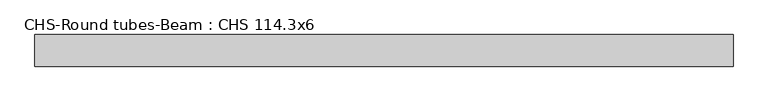
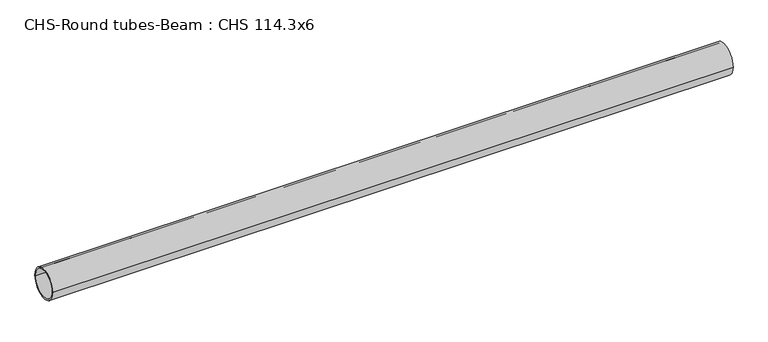
"""IFC4 building model written with IfcOpenShell, lengths in millimetres: beam geometry, CHS-Round tubes-Beam : CHS 114.3x6."""

import ifcopenshell
import ifcopenshell.guid

model = None  # the IFC model being written
_history = None  # IfcOwnerHistory: only IFC2X3 demands one
_inside = {}  # id of a spatial element -> (the spatial element, [elements in it])
_under = {}  # id of a project, library or spatial element -> (it, [spatial elements below it])
_declared = {}  # id of a project -> (the project, [libraries it declares])
_typed = {}  # id of a type object -> (the type object, [elements of that type])
_made_of = {}  # id of a material, layer set ... -> (it, [elements and type objects made of it])


def new_model(schema):
    """Start an empty IFC model of exactly this schema.

    Asked for "IFC4X3", IfcOpenShell would pick the latest addendum, in which some entities
    have other attributes; the version numbers below select the first issue.
    IFC2X3 requires an IfcOwnerHistory on every rooted entity: one is made here for all.
    """
    global model, _history
    if schema == "IFC4X3":
        model = ifcopenshell.file(schema_version=(4, 3, 0, 0))
    else:
        model = ifcopenshell.file(schema=schema)
    _inside.clear()
    _under.clear()
    _declared.clear()
    _typed.clear()
    _made_of.clear()
    _history = None
    if model.schema == "IFC2X3":
        org = make("IfcOrganization", Name="unknown")
        user = make(
            "IfcPersonAndOrganization",
            ThePerson=make("IfcPerson", FamilyName="unknown"),
            TheOrganization=org,
        )
        app = make(
            "IfcApplication",
            ApplicationDeveloper=org,
            Version="unknown",
            ApplicationFullName="unknown",
            ApplicationIdentifier="unknown",
        )
        _history = make(
            "IfcOwnerHistory",
            OwningUser=user,
            OwningApplication=app,
            ChangeAction="ADDED",
            CreationDate=0,
        )
    return model


def make(cls, **values):
    """One entity of the class cls with the attributes given. An attribute that is None is left unset."""
    return model.create_entity(
        cls, **{name: value for name, value in values.items() if value is not None}
    )


def rooted(cls, **values):
    """An entity with a GlobalId (a new one), such as an element, a storey or a relation."""
    return make(cls, GlobalId=ifcopenshell.guid.new(), OwnerHistory=_history, **values)


def si_unit(unit_type, name, prefix=None):
    """IfcSIUnit, for example si_unit("LENGTHUNIT", "METRE", prefix="MILLI")."""
    return make("IfcSIUnit", UnitType=unit_type, Prefix=prefix, Name=name)


def assignment(units):
    """IfcUnitAssignment: the units of a project."""
    return None if units is None else make("IfcUnitAssignment", Units=units)


def point(xyz):
    """IfcCartesianPoint."""
    return None if xyz is None else make("IfcCartesianPoint", Coordinates=xyz)


def direction(xyz):
    """IfcDirection."""
    return None if xyz is None else make("IfcDirection", DirectionRatios=xyz)


def frame(location, z_axis=None, x_axis=None):
    """IfcAxis2Placement3D, a coordinate frame: its origin and axes. An axis left out is left unset."""
    return make(
        "IfcAxis2Placement3D",
        Location=point(location),
        Axis=direction(z_axis),
        RefDirection=direction(x_axis),
    )


def frame_2d(location, x_axis=None):
    """IfcAxis2Placement2D, a coordinate frame in the plane: its origin and x axis."""
    return make(
        "IfcAxis2Placement2D", Location=point(location), RefDirection=direction(x_axis)
    )


def origin():
    """The frame at (0, 0, 0) with its axes left unset."""
    return frame((0.0, 0.0, 0.0))


def origin_2d():
    """The frame at (0, 0) in the plane with its x axis left unset."""
    return frame_2d((0.0, 0.0))


def place(relative_to, where):
    """IfcLocalPlacement: puts the frame where relative to a parent placement (None: the world)."""
    return make(
        "IfcLocalPlacement", PlacementRelTo=relative_to, RelativePlacement=where
    )


def context(
    kind, dimensions, precision=None, world=None, true_north=None, identifier=None
):
    """IfcGeometricRepresentationContext, for example the 3D "Model" context."""
    return make(
        "IfcGeometricRepresentationContext",
        ContextIdentifier=identifier,
        ContextType=kind,
        CoordinateSpaceDimension=dimensions,
        Precision=precision,
        WorldCoordinateSystem=world,
        TrueNorth=true_north,
    )


def project(units=None, contexts=None):
    """IfcProject with its units and contexts."""
    return rooted(
        "IfcProject",
        Name="project",
        RepresentationContexts=contexts,
        UnitsInContext=assignment(units),
    )


def spatial(cls, under=None, at=None, **own):
    """A site, building, storey or space (cls), placed at a placement, below another one or the project."""
    s = rooted(cls, ObjectPlacement=at, **own)
    if under is not None:
        _under.setdefault(under.id(), (under, []))[1].append(s)
    return s


def circle_curve(where, radius):
    """IfcCircle in the frame where."""
    return make("IfcCircle", Position=where, Radius=radius)


def trimmed(basis, trim1, trim2, sense, master):
    """IfcTrimmedCurve: the piece of a basis curve between two trims."""
    return make(
        "IfcTrimmedCurve",
        BasisCurve=basis,
        Trim1=trim1,
        Trim2=trim2,
        SenseAgreement=sense,
        MasterRepresentation=master,
    )


def segment(curve, same_sense, transition):
    """IfcCompositeCurveSegment."""
    return make(
        "IfcCompositeCurveSegment",
        Transition=transition,
        SameSense=same_sense,
        ParentCurve=curve,
    )


def composite_curve(segments, self_intersect=None):
    """IfcCompositeCurve: segments joined end to end."""
    return make("IfcCompositeCurve", Segments=segments, SelfIntersect=self_intersect)


def outline(outer, holes=None, kind="AREA"):
    """IfcArbitraryClosedProfileDef: a profile drawn as a closed curve; with holes, ...WithVoids."""
    if holes is None:
        return make("IfcArbitraryClosedProfileDef", ProfileType=kind, OuterCurve=outer)
    return make(
        "IfcArbitraryProfileDefWithVoids",
        ProfileType=kind,
        OuterCurve=outer,
        InnerCurves=holes,
    )


def extrude(swept, where, along, depth):
    """IfcExtrudedAreaSolid: the profile swept, set in the frame where, extruded along a direction by depth."""
    return make(
        "IfcExtrudedAreaSolid",
        SweptArea=swept,
        Position=where,
        ExtrudedDirection=direction(along),
        Depth=depth,
    )


def shape(context_of_items, identifier, shape_type, items):
    """IfcShapeRepresentation: the items that make up one representation, for example the "Body"."""
    return make(
        "IfcShapeRepresentation",
        ContextOfItems=context_of_items,
        RepresentationIdentifier=identifier,
        RepresentationType=shape_type,
        Items=items,
    )


def source(mapping_origin, context_of_items, identifier, shape_type, items):
    """IfcRepresentationMap: a shape defined once, which mapped items show again and again."""
    return make(
        "IfcRepresentationMap",
        MappingOrigin=mapping_origin,
        MappedRepresentation=shape(context_of_items, identifier, shape_type, items),
    )


def transform(
    local_origin,
    x_axis=None,
    y_axis=None,
    z_axis=None,
    scale=None,
    scale2=None,
    scale3=None,
    uniform=True,
):
    """IfcCartesianTransformationOperator3D, or its non-uniform kind. x_axis, y_axis, z_axis: its Axis1, 2, 3."""
    if uniform:
        return make(
            "IfcCartesianTransformationOperator3D",
            Axis1=direction(x_axis),
            Axis2=direction(y_axis),
            LocalOrigin=point(local_origin),
            Scale=scale,
            Axis3=direction(z_axis),
        )
    return make(
        "IfcCartesianTransformationOperator3DnonUniform",
        Axis1=direction(x_axis),
        Axis2=direction(y_axis),
        LocalOrigin=point(local_origin),
        Scale=scale,
        Axis3=direction(z_axis),
        Scale2=scale2,
        Scale3=scale3,
    )


def mapped(mapping_source, mapping_target):
    """IfcMappedItem: shows the shape of a source again, moved by a transform."""
    return make(
        "IfcMappedItem", MappingSource=mapping_source, MappingTarget=mapping_target
    )


def made_of(thing, what):
    """Note that an element or type object is made of a material, layer set ...; save() writes the relation."""
    if what is not None:
        _made_of.setdefault(what.id(), (what, []))[1].append(thing)
    return thing


def element(
    cls,
    number,
    at=None,
    inside=None,
    cuts=None,
    type_object=None,
    material=None,
    context=None,
    identifier="Body",
    shape_type=None,
    held_by="IfcProductDefinitionShape",
    body=None,
    shapes=None,
    **own,
):
    """One element of the class cls, such as IfcWall. Its Tag is "e" and its number.

    at: its placement. inside: the storey or other place that contains it. cuts: it is an
    opening in that element (IfcRelVoidsElement). A single representation is given by context,
    identifier, shape_type and body (its items); several are given by shapes. held_by: the class
    of the entity that holds the representations. save() writes the other relations.
    """
    e = rooted(cls, Tag="e%d" % number, ObjectPlacement=at, **own)
    if body is not None:
        shapes = [shape(context, identifier, shape_type, body)]
    if shapes is not None:
        e.Representation = make(held_by, Representations=shapes)
    if inside is not None:
        _inside.setdefault(inside.id(), (inside, []))[1].append(e)
    if cuts is not None:
        rooted(
            "IfcRelVoidsElement", RelatingBuildingElement=cuts, RelatedOpeningElement=e
        )
    if type_object is not None:
        _typed.setdefault(type_object.id(), (type_object, []))[1].append(e)
    return made_of(e, material)


def aggregate(whole, parts):
    """IfcRelAggregates: a whole, such as a stair, and the parts it consists of."""
    return rooted("IfcRelAggregates", RelatingObject=whole, RelatedObjects=parts)


def save(model, path):
    """Write the relations noted so far, then the file.

    IfcRelAggregates (storeys below a building ...), IfcRelContainedInSpatialStructure (elements
    in a storey), IfcRelDefinesByType, IfcRelAssociatesMaterial and IfcRelDeclares: one each for
    every whole, place, type object, material and project.
    """
    for whole, parts in _under.values():
        aggregate(whole, parts)
    for where, things in _inside.values():
        rooted(
            "IfcRelContainedInSpatialStructure",
            RelatedElements=things,
            RelatingStructure=where,
        )
    for kind, things in _typed.values():
        rooted("IfcRelDefinesByType", RelatedObjects=things, RelatingType=kind)
    for what, things in _made_of.values():
        rooted("IfcRelAssociatesMaterial", RelatedObjects=things, RelatingMaterial=what)
    for by, libraries in _declared.values():
        rooted("IfcRelDeclares", RelatingContext=by, RelatedDefinitions=libraries)
    model.write(path)


def chs_round_tubes_beam_chs_114_3x6_070e4063(model_context):
    return source(origin(), model_context, "Body", "SweptSolid", [
        extrude(outline(composite_curve([segment(trimmed(circle_curve(origin_2d(), 57.15), [point((57.15, 0.0))], [point((-57.15, 0.0))], False, "CARTESIAN"), True, "CONTINUOUS"), segment(trimmed(circle_curve(origin_2d(), 57.15), [point((-57.15, 0.0))], [point((57.15, 0.0))], False, "CARTESIAN"), True, "CONTINUOUS")], self_intersect=False), holes=[composite_curve([segment(trimmed(circle_curve(origin_2d(), 51.15), [point((51.15, 0.0))], [point((-51.15, 0.0))], True, "CARTESIAN"), True, "CONTINUOUS"), segment(trimmed(circle_curve(origin_2d(), 51.15), [point((-51.15, 0.0))], [point((51.15, 0.0))], True, "CARTESIAN"), True, "CONTINUOUS")], self_intersect=False)]), frame((-1253.4732262, 0.0, 0.0), z_axis=(1.0, 0.0, 0.0), x_axis=(0.0, 1.0, 0.0)), (0.0, 0.0, 1.0), 2525.4834438),
    ])


if __name__ == "__main__":
    model = new_model("IFC4")
    model_context = context("Model", 3, world=origin())
    ifc_project = project(units=[si_unit("LENGTHUNIT", "METRE", prefix="MILLI")], contexts=[model_context])
    site = spatial("IfcSite", under=ifc_project)
    building = spatial("IfcBuilding", under=site)
    placement = place(None, origin())
    chs_round_tubes_beam_chs_114_3x6_shape = chs_round_tubes_beam_chs_114_3x6_070e4063(model_context)
    element("IfcBeam", 1, ObjectType="CHS-Round tubes-Beam : CHS 114.3x6", at=placement, inside=building, context=model_context, shape_type="MappedRepresentation", body=[
        mapped(chs_round_tubes_beam_chs_114_3x6_shape, transform((0.0, 0.0, 0.0), x_axis=(1.0, 0.0, 0.0), y_axis=(0.0, 1.0, 0.0), z_axis=(0.0, 0.0, 1.0))),
    ])
    save(model, "model.ifc")
